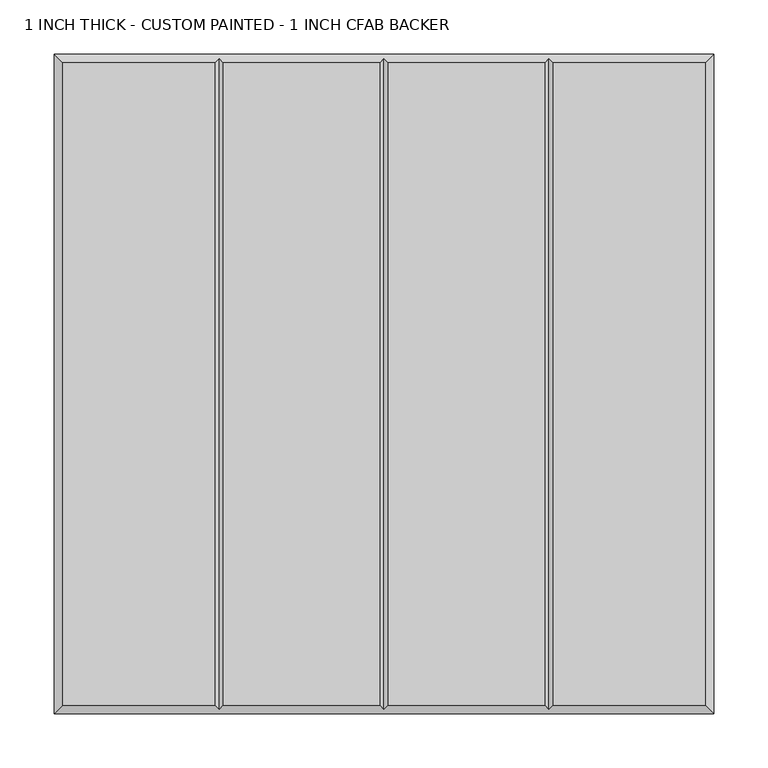
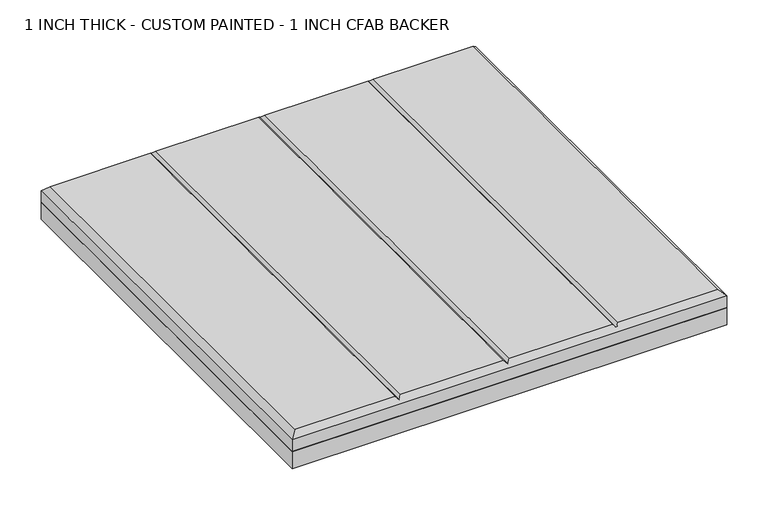
"""IFC4 building model written with IfcOpenShell, lengths in millimetres: proxy geometry, 1 INCH THICK - CUSTOM PAINTED - 1 INCH CFAB BACKER."""

from ifc_helpers import new_model, si_unit, frame, origin, place, context, project, spatial, polyline, outline, extrude, faceted_brep, source, transform, mapped, element, save


def proxy_1_inch_thick_custom_painted_1_inch_cfab_backer_914b0a75(model_context):
    return source(origin(), model_context, "Body", "SolidModel", [
        extrude(outline(polyline([(-304.8, 304.8), (304.8, 304.8), (304.8, -304.8), (-304.8, -304.8), (-304.8, 304.8)])), frame((0.0, 0.0, -25.4), z_axis=(0.0, 0.0, 1.0), x_axis=(1.0, 0.0, 0.0)), (0.0, 0.0, 1.0), 25.4),
        faceted_brep([(-296.799, 296.799, 25.4), (-296.799, -296.799, 25.4), (-156.4009826, -296.799, 25.4), (-156.4009826, 296.799, 25.4), (296.799, -296.799, 25.4), (296.799, 296.799, 25.4), (156.4010334, 296.799, 25.4), (156.4010334, -296.799, 25.4), (-148.3999826, 296.799, 25.4), (-148.3999826, -296.799, 25.4), (-4.0004746, -296.799, 25.4), (-4.0004746, 296.799, 25.4), (4.0005254, 296.799, 25.4), (4.0005254, -296.799, 25.4), (148.4000334, -296.799, 25.4), (148.4000334, 296.799, 25.4), (-304.8, 304.8, 0.0), (304.8, 304.8, 0.0), (304.8, -304.8, 0.0), (-304.8, -304.8, 0.0), (-304.8, -304.8, 17.399), (-304.8, 304.8, 17.399), (304.8, -304.8, 17.399), (304.8, 304.8, 17.399), (-152.4004826, 300.7995, 21.3995), (2.54e-05, 300.7995, 21.3995), (152.4005334, 300.7995, 21.3995), (152.4005334, -300.7995, 21.3995), (2.54e-05, -300.7995, 21.3995), (-152.4004826, -300.7995, 21.3995)], [[[0, 1, 2, 3]], [[4, 5, 6, 7]], [[8, 9, 10, 11]], [[12, 13, 14, 15]], [[16, 17, 18, 19]], [[16, 19, 20, 21]], [[19, 18, 22, 20]], [[18, 17, 23, 22]], [[17, 16, 21, 23]], [[21, 0, 3, 24, 8, 11, 25, 12, 15, 26, 6, 5, 23]], [[0, 21, 20, 1]], [[1, 20, 22, 4, 7, 27, 14, 13, 28, 10, 9, 29, 2]], [[23, 5, 4, 22]], [[24, 29, 9, 8]], [[29, 24, 3, 2]], [[25, 28, 13, 12]], [[28, 25, 11, 10]], [[26, 27, 7, 6]], [[27, 26, 15, 14]]]),
    ])


if __name__ == "__main__":
    model = new_model("IFC4")
    model_context = context("Model", 3, world=origin())
    ifc_project = project(units=[si_unit("LENGTHUNIT", "METRE", prefix="MILLI")], contexts=[model_context])
    site = spatial("IfcSite", under=ifc_project)
    building = spatial("IfcBuilding", under=site)
    placement = place(None, origin())
    proxy_1_inch_thick_custom_painted_1_inch_cfab_backer_shape = proxy_1_inch_thick_custom_painted_1_inch_cfab_backer_914b0a75(model_context)
    element("IfcBuildingElementProxy", 1, Name="1 INCH THICK - CUSTOM PAINTED - 1 INCH CFAB BACKER", ObjectType="1 INCH THICK - CUSTOM PAINTED - 1 INCH CFAB BACKER", at=placement, inside=building, context=model_context, shape_type="MappedRepresentation", body=[
        mapped(proxy_1_inch_thick_custom_painted_1_inch_cfab_backer_shape, transform((0.0, 0.0, 0.0), x_axis=(1.0, 0.0, 0.0), y_axis=(0.0, 1.0, 0.0), z_axis=(0.0, 0.0, 1.0))),
    ])
    save(model, "model.ifc")
